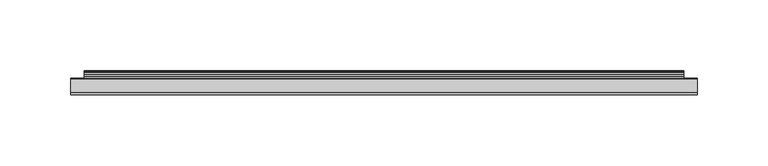
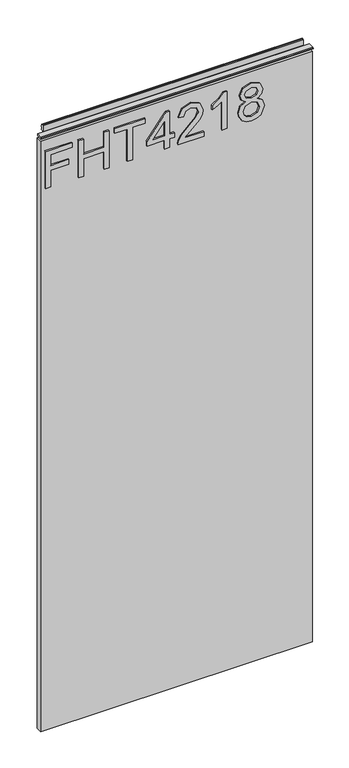
"""IFC4 building model written with IfcOpenShell, lengths in millimetres: furniture geometry."""

from ifc_helpers import new_model, si_unit, frame, origin, place, context, project, spatial, polyline, outline, extrude, source, transform, mapped, element, save


def furniture_8e2d6eb8(model_context):
    return source(origin(), model_context, "Body", "SweptSolid", [
        extrude(outline(polyline([(938.7078, -291.2107253), (938.7078, -283.2370057), (967.6125336, -283.2370057), (967.6125336, -253.3355571), (975.5862532, -253.3355571), (975.5862532, -283.2370057), (994.5238373, -283.2370057), (994.5238373, -248.3519823), (1002.4975569, -248.3519823), (1002.4975569, -291.2107253), (938.7078, -291.2107253)])), frame((0.0, -5.4842478, 0.0), z_axis=(0.0, 1.0, 0.0), x_axis=(0.0, 0.0, 1.0)), (0.0, 0.0, 1.0), 2.38125),
        extrude(outline(polyline([(938.7078, -237.3881179), (938.7078, -229.4143982), (968.6092486, -229.4143982), (968.6092486, -195.5260899), (938.7078, -195.5260899), (938.7078, -187.5523702), (1002.4975569, -187.5523702), (1002.4975569, -195.5260899), (976.5829682, -195.5260899), (976.5829682, -229.4143982), (1002.4975569, -229.4143982), (1002.4975569, -237.3881179), (938.7078, -237.3881179)])), frame((0.0, -5.4842478, 0.0), z_axis=(0.0, 1.0, 0.0), x_axis=(0.0, 0.0, 1.0)), (0.0, 0.0, 1.0), 2.38125),
        extrude(outline(polyline([(938.7078, -157.6509217), (938.7078, -149.6772021), (994.5238373, -149.6772021), (994.5238373, -128.7461881), (1002.4975569, -128.7461881), (1002.4975569, -178.5819357), (994.5238373, -178.5819357), (994.5238373, -157.6509217), (938.7078, -157.6509217)])), frame((0.0, -5.4842478, 0.0), z_axis=(0.0, 1.0, 0.0), x_axis=(0.0, 0.0, 1.0)), (0.0, 0.0, 1.0), 2.38125),
        extrude(outline(polyline([(938.7078, -96.8513096), (938.7078, -88.87759), (953.6585243, -88.87759), (953.6585243, -80.9038703), (961.6322439, -80.9038703), (961.6322439, -88.87759), (1001.500842, -88.87759), (1001.500842, -94.8578797), (961.6322439, -125.7560432), (953.6585243, -125.7560432), (953.6585243, -96.8513096), (938.7078, -96.8513096)]), holes=[polyline([(961.6322439, -96.8513096), (961.6322439, -115.9446304), (986.2697916, -96.8513096), (961.6322439, -96.8513096)])]), frame((0.0, -5.4842478, 0.0), z_axis=(0.0, 1.0, 0.0), x_axis=(0.0, 0.0, 1.0)), (0.0, 0.0, 1.0), 2.38125),
        extrude(outline(polyline([(946.6815196, -33.0615526), (946.6815196, -64.3802053), (950.7384609, -60.7826872), (958.408494, -51.609795), (969.3334243, -40.1865072), (977.1514072, -35.4754717), (984.7124245, -34.0582676), (997.3893928, -39.3143816), (1002.4975569, -53.5876512), (997.903324, -67.8141998), (984.5566878, -73.9268657), (983.5599729, -65.9531461), (991.6115608, -62.5970199), (994.5238373, -53.7589616), (991.5414793, -45.2790976), (984.2296407, -42.0319872), (975.1969115, -45.4737685), (961.91257, -59.2408938), (952.6695962, -69.223617), (944.2053059, -74.0670287), (938.7078, -74.9235806), (938.7078, -33.0615526), (946.6815196, -33.0615526)])), frame((0.0, -5.4842478, 0.0), z_axis=(0.0, 1.0, 0.0), x_axis=(0.0, 0.0, 1.0)), (0.0, 0.0, 1.0), 2.38125),
        extrude(outline(polyline([(938.7078, 4.8136156), (1002.4975569, 4.8136156), (1002.4975569, -0.3256959), (994.0099062, -7.4195031), (986.5501177, -19.1075433), (979.0124609, -19.1075433), (983.0382549, -10.7133346), (988.4189582, -3.1601041), (938.7078, -3.1601041), (938.7078, 4.8136156)])), frame((0.0, -5.4842478, 0.0), z_axis=(0.0, 1.0, 0.0), x_axis=(0.0, 0.0, 1.0)), (0.0, 0.0, 1.0), 2.38125),
        extrude(outline(polyline([(973.8420021, 35.3691583), (968.0485964, 26.7724918), (957.4896474, 23.7511996), (949.7320125, 25.1917642), (943.3721145, 29.513458), (939.1263424, 36.186776), (937.711085, 44.6822136), (939.1205023, 53.1776512), (943.348754, 59.8509693), (957.271616, 65.6132276), (967.5891731, 62.708738), (973.8420021, 54.228874), (978.771069, 61.2915339), (986.2853653, 63.6197977), (997.7787346, 58.3870442), (1002.4975569, 44.5731979), (997.8877503, 30.883941), (986.5033967, 25.7446295), (978.7944295, 28.1040407), (973.8420021, 35.3691583)]), holes=[polyline([(986.2697916, 33.7183492), (992.0943446, 36.5916915), (994.5238373, 44.6822136), (992.0398368, 52.7493753), (985.9115972, 55.6460781), (979.9936022, 52.8428173), (977.5796831, 44.7756557), (980.0091758, 36.5449705), (986.2697916, 33.7183492)]), polyline([(957.7699735, 31.7249193), (966.2264769, 35.0966191), (969.6059635, 44.4797559), (966.1797559, 54.135432), (957.5207947, 57.639508), (949.0253571, 54.2444477), (945.6848047, 44.7445083), (947.2733191, 37.7675037), (951.7663232, 33.0564681), (957.7699735, 31.7249193)])]), frame((0.0, -5.4842478, 0.0), z_axis=(0.0, 1.0, 0.0), x_axis=(0.0, 0.0, 1.0)), (0.0, 0.0, 1.0), 2.38125),
        extrude(outline(polyline([(5.5562561, 1028.7), (5.5562561, 1025.5249996), (-3.975094, 1025.5249996), (-5.3492339, 1026.3183657), (-5.3492339, 1027.9066395), (-3.9751037, 1028.7), (5.5562561, 1028.7)])), frame((-298.196, 0.0, 0.0), z_axis=(1.0, 0.0, 0.0), x_axis=(0.0, 1.0, 0.0)), (0.0, 0.0, 1.0), 443.992),
        extrude(outline(polyline([(145.796, 6.3500061), (145.796, -3.1749939), (-298.196, -3.1749939), (-298.196, 6.3500061), (145.796, 6.3500061)])), frame((0.0, 0.0, 3.09626), z_axis=(0.0, 0.0, 1.0), x_axis=(1.0, 0.0, 0.0)), (0.0, 0.0, 1.0), 1018.16154),
        extrude(outline(polyline([(5.5562561, 1028.7), (6.3500061, 1028.7), (6.3500061, 1038.57425), (7.1437561, 1039.368), (8.6677569, 1039.368), (10.0084363, 1038.9506926), (10.875413, 1037.8461816), (10.9623604, 1036.4447591), (10.2390011, 1033.4863459), (10.4046103, 1032.2833307), (11.6746103, 1030.0836103), (10.7786383, 1029.5663244), (7.1437561, 1029.5663244), (7.1437561, 1028.7), (6.3500061, 1028.4669239), (6.3500061, 1021.2578), (5.5562561, 1021.2578), (5.5562561, 1028.7)])), frame((-288.671, 0.0, 0.0), z_axis=(1.0, 0.0, 0.0), x_axis=(0.0, 1.0, 0.0)), (0.0, 0.0, 1.0), 424.942),
    ])


if __name__ == "__main__":
    model = new_model("IFC4")
    model_context = context("Model", 3, world=origin())
    ifc_project = project(units=[si_unit("LENGTHUNIT", "METRE", prefix="MILLI")], contexts=[model_context])
    site = spatial("IfcSite", under=ifc_project)
    building = spatial("IfcBuilding", under=site)
    placement = place(None, origin())
    furniture_shape = furniture_8e2d6eb8(model_context)
    element("IfcFurniture", 1, at=placement, inside=building, context=model_context, shape_type="MappedRepresentation", body=[
        mapped(furniture_shape, transform((0.0, 0.0, 0.0), x_axis=(1.0, 0.0, 0.0), y_axis=(0.0, 1.0, 0.0), z_axis=(0.0, 0.0, 1.0))),
    ])
    save(model, "model.ifc")
